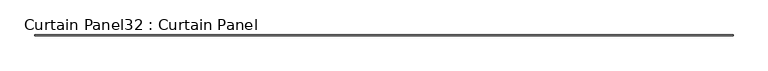
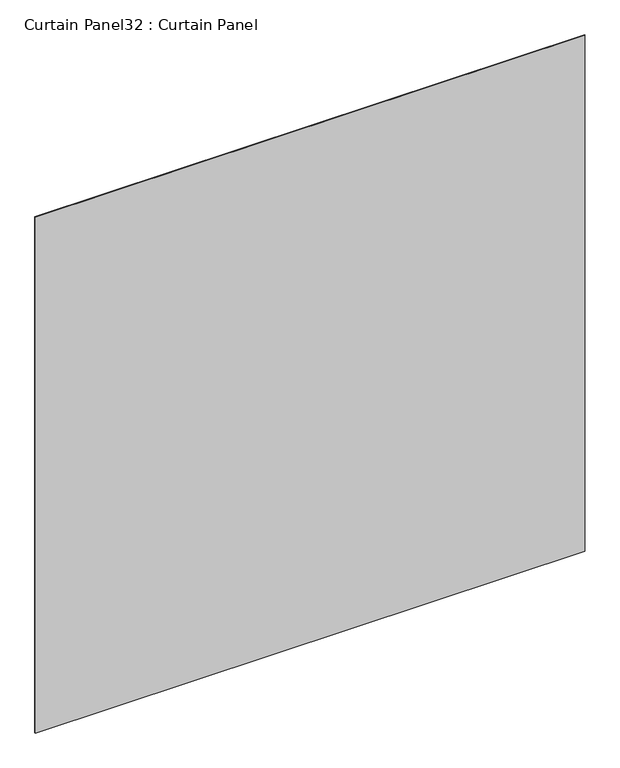
"""IFC4 building model written with IfcOpenShell, lengths in millimetres: plate geometry, Curtain Panel32 : Curtain Panel."""

from ifc_helpers import new_model, si_unit, frame, origin, place, context, project, spatial, polyline, outline, extrude, source, transform, mapped, element, save


def curtain_panel32_curtain_panel_d991f337(model_context):
    return source(origin(), model_context, "Body", "SweptSolid", [
        extrude(outline(polyline([(433904.4315929, 2929.1815705), (427856.1518429, 2929.1815705), (427856.1518429, 2935.5315705), (433904.4315929, 2935.5315705), (433904.4315929, 2929.1815705)])), frame((0.0, 0.0, 9298.4545414), z_axis=(0.0, 0.0, 1.0), x_axis=(1.0, 0.0, 0.0)), (0.0, 0.0, 1.0), 6000.75),
    ])


if __name__ == "__main__":
    model = new_model("IFC4")
    model_context = context("Model", 3, world=origin())
    ifc_project = project(units=[si_unit("LENGTHUNIT", "METRE", prefix="MILLI")], contexts=[model_context])
    site = spatial("IfcSite", under=ifc_project)
    building = spatial("IfcBuilding", under=site)
    placement = place(None, origin())
    curtain_panel32_curtain_panel_shape = curtain_panel32_curtain_panel_d991f337(model_context)
    element("IfcPlate", 1, ObjectType="Curtain Panel32 : Curtain Panel", at=placement, inside=building, context=model_context, shape_type="MappedRepresentation", body=[
        mapped(curtain_panel32_curtain_panel_shape, transform((0.0, 0.0, 0.0), x_axis=(1.0, 0.0, 0.0), y_axis=(0.0, 1.0, 0.0), z_axis=(0.0, 0.0, 1.0))),
    ])
    save(model, "model.ifc")
